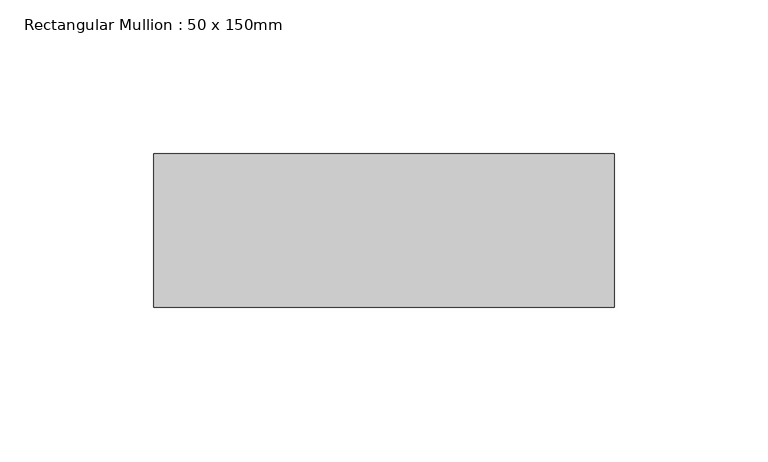
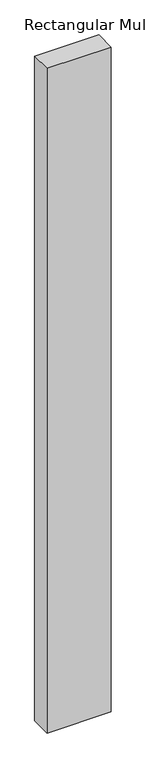
"""IFC4 building model written with IfcOpenShell, lengths in millimetres: member geometry, Rectangular Mullion : 50 x 150mm."""

from ifc_helpers import new_model, si_unit, frame, origin, place, context, project, spatial, polyline, outline, extrude, source, transform, mapped, element, save


def rectangular_mullion_50_x_150mm_046912b0(model_context):
    return source(origin(), model_context, "Body", "SweptSolid", [
        extrude(outline(polyline([(150.0, 50.0), (150.0, 0.0), (0.0, 0.0), (0.0, 50.0), (150.0, 50.0)])), frame((0.0, 0.0, -1643.0), z_axis=(0.0, 0.0, 1.0), x_axis=(1.0, 0.0, 0.0)), (0.0, 0.0, 1.0), 1643.0),
    ])


if __name__ == "__main__":
    model = new_model("IFC4")
    model_context = context("Model", 3, world=origin())
    ifc_project = project(units=[si_unit("LENGTHUNIT", "METRE", prefix="MILLI")], contexts=[model_context])
    site = spatial("IfcSite", under=ifc_project)
    building = spatial("IfcBuilding", under=site)
    placement = place(None, origin())
    rectangular_mullion_50_x_150mm_shape = rectangular_mullion_50_x_150mm_046912b0(model_context)
    element("IfcMember", 1, ObjectType="Rectangular Mullion : 50 x 150mm", at=placement, inside=building, context=model_context, shape_type="MappedRepresentation", body=[
        mapped(rectangular_mullion_50_x_150mm_shape, transform((0.0, 0.0, 0.0), x_axis=(1.0, 0.0, 0.0), y_axis=(0.0, 1.0, 0.0), z_axis=(0.0, 0.0, 1.0))),
    ])
    save(model, "model.ifc")
